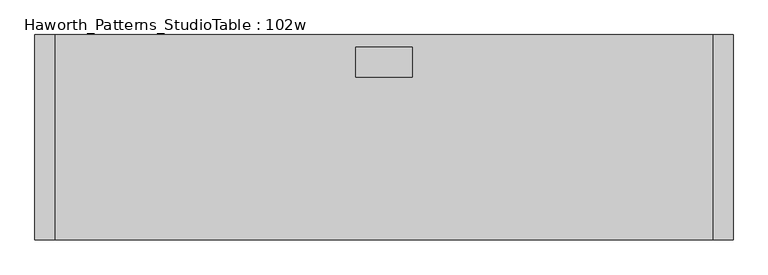
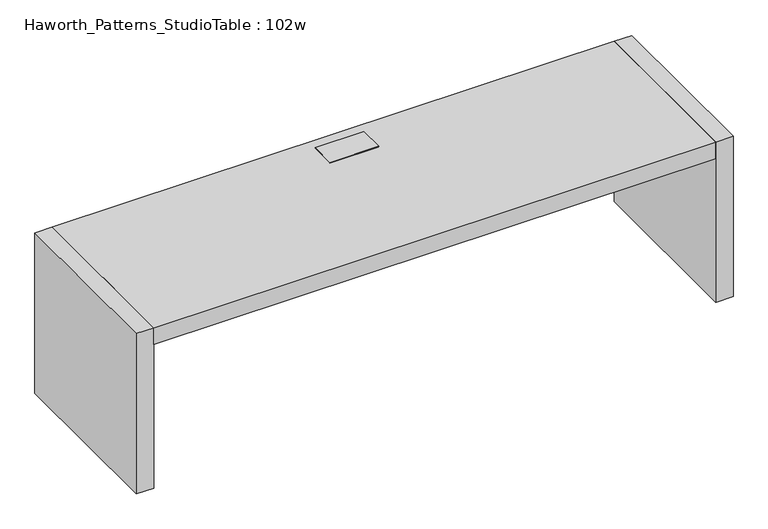
"""IFC4 building model written with IfcOpenShell, lengths in millimetres: furniture geometry, Haworth_Patterns_StudioTable : 102w."""

from ifc_helpers import new_model, si_unit, frame, origin, origin_with_axes, place, context, project, spatial, polyline, outline, extrude, faceted_brep, source, transform, mapped, element, save


def haworth_patterns_studiotable_102w_a6e91ac2(model_context):
    return source(origin(), model_context, "Body", "SolidModel", [
        faceted_brep([(102.39375, -152.4, 666.75), (102.39375, -50.8, 666.75), (102.39375, -50.8, 736.6), (102.39375, -152.4, 736.6), (105.56875, -46.0375, 739.775), (-105.56875, -46.0375, 739.775), (-105.56875, -157.1625, 739.775), (105.56875, -157.1625, 739.775), (105.56875, -46.0375, 736.6), (105.56875, -157.1625, 736.6), (-105.56875, -157.1625, 736.6), (-105.56875, -46.0375, 736.6), (-102.39375, -50.8, 736.6), (-102.39375, -152.4, 736.6), (-102.39375, -152.4, 666.75), (-102.39375, -50.8, 666.75)], [[[0, 1, 2, 3]], [[4, 5, 6, 7]], [[8, 9, 10, 11], [2, 12, 13, 3]], [[5, 4, 8, 11]], [[6, 5, 11, 10]], [[7, 6, 10, 9]], [[4, 7, 9, 8]], [[1, 0, 14, 15]], [[1, 15, 12, 2]], [[15, 14, 13, 12]], [[14, 0, 3, 13]]]),
        extrude(outline(polyline([(1219.2, 0.0), (1219.2, -762.0), (-1219.2, -762.0), (-1219.2, 0.0), (1219.2, 0.0)])), frame((0.0, 0.0, 660.4), z_axis=(0.0, 0.0, 1.0), x_axis=(1.0, 0.0, 0.0)), (0.0, 0.0, 1.0), 76.2),
        extrude(outline(polyline([(1219.2, 0.0), (1295.4, 0.0), (1295.4, -762.0), (1219.2, -762.0), (1219.2, 0.0)])), origin_with_axes(), (0.0, 0.0, 1.0), 736.6),
        extrude(outline(polyline([(-1219.2, 0.0), (-1219.2, -762.0), (-1295.4, -762.0), (-1295.4, 0.0), (-1219.2, 0.0)])), origin_with_axes(), (0.0, 0.0, 1.0), 736.6),
    ])


if __name__ == "__main__":
    model = new_model("IFC4")
    model_context = context("Model", 3, world=origin())
    ifc_project = project(units=[si_unit("LENGTHUNIT", "METRE", prefix="MILLI")], contexts=[model_context])
    site = spatial("IfcSite", under=ifc_project)
    building = spatial("IfcBuilding", under=site)
    placement = place(None, origin())
    haworth_patterns_studiotable_102w_shape = haworth_patterns_studiotable_102w_a6e91ac2(model_context)
    element("IfcFurniture", 1, ObjectType="Haworth_Patterns_StudioTable : 102w", at=placement, inside=building, context=model_context, shape_type="MappedRepresentation", body=[
        mapped(haworth_patterns_studiotable_102w_shape, transform((0.0, 0.0, 0.0), x_axis=(1.0, 0.0, 0.0), y_axis=(0.0, 1.0, 0.0), z_axis=(0.0, 0.0, 1.0))),
    ])
    save(model, "model.ifc")
